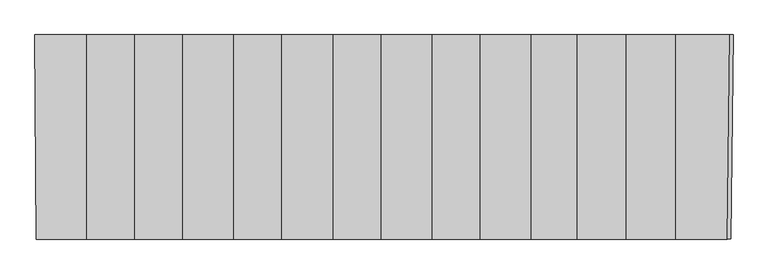
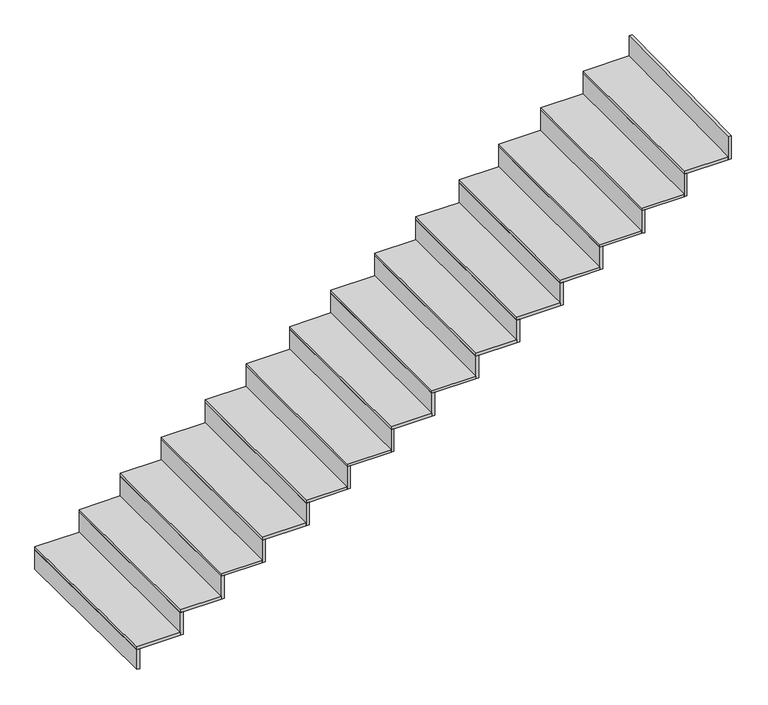
"""IFC4 building model written with IfcOpenShell, lengths in millimetres: stair flight geometry."""

from ifc_helpers import new_model, si_unit, frame, origin, place, context, project, spatial, polyline, outline, extrude, source, transform, mapped, element, save


def stair_flight_46ee71db(model_context):
    return source(origin(), model_context, "Body", "SweptSolid", [
        extrude(outline(polyline([(31766.7407159, 659.4828639), (31746.7404188, 659.4839625), (31740.2899052, 1854.8371447), (31760.2901964, 1854.8371447), (31766.7407159, 659.4828639)])), frame((0.0, 0.0, -2416.5), z_axis=(0.0, 0.0, 1.0), x_axis=(1.0, 0.0, 0.0)), (0.0, 0.0, 1.0), 143.5197413),
        extrude(outline(polyline([(32043.1422508, 1854.8371447), (32043.1422508, 659.4676813), (31746.7404188, 659.4839625), (31740.2899052, 1854.8371447), (32043.1422508, 1854.8371447)])), frame((0.0, 0.0, -2272.9802587), z_axis=(0.0, 0.0, 1.0), x_axis=(1.0, 0.0, 0.0)), (0.0, 0.0, 1.0), 20.0),
        extrude(outline(polyline([(32063.1422508, 659.4665828), (32043.1422508, 659.4676813), (32043.1422508, 1854.8371447), (32063.1422508, 1854.8371447), (32063.1422508, 659.4665828)])), frame((0.0, 0.0, -2272.9802587), z_axis=(0.0, 0.0, 1.0), x_axis=(1.0, 0.0, 0.0)), (0.0, 0.0, 1.0), 163.5197413),
        extrude(outline(polyline([(32323.1422508, 1854.8371447), (32323.1422508, 659.4523011), (32043.1422508, 659.4676813), (32043.1422508, 1854.8371447), (32323.1422508, 1854.8371447)])), frame((0.0, 0.0, -2109.4605175), z_axis=(0.0, 0.0, 1.0), x_axis=(1.0, 0.0, 0.0)), (0.0, 0.0, 1.0), 20.0),
        extrude(outline(polyline([(32343.1422508, 659.4512026), (32323.1422508, 659.4523011), (32323.1422508, 1854.8371447), (32343.1422508, 1854.8371447), (32343.1422508, 659.4512026)])), frame((0.0, 0.0, -2109.4605175), z_axis=(0.0, 0.0, 1.0), x_axis=(1.0, 0.0, 0.0)), (0.0, 0.0, 1.0), 163.5197413),
        extrude(outline(polyline([(32603.1422508, 1854.8371447), (32603.1422508, 659.4369209), (32323.1422508, 659.4523011), (32323.1422508, 1854.8371447), (32603.1422508, 1854.8371447)])), frame((0.0, 0.0, -1945.9407762), z_axis=(0.0, 0.0, 1.0), x_axis=(1.0, 0.0, 0.0)), (0.0, 0.0, 1.0), 20.0),
        extrude(outline(polyline([(32623.1422508, 659.4358224), (32603.1422508, 659.4369209), (32603.1422508, 1854.8371447), (32623.1422508, 1854.8371447), (32623.1422508, 659.4358224)])), frame((0.0, 0.0, -1945.9407762), z_axis=(0.0, 0.0, 1.0), x_axis=(1.0, 0.0, 0.0)), (0.0, 0.0, 1.0), 163.5197413),
        extrude(outline(polyline([(32903.1422508, 1854.8371447), (32903.1422508, 659.4204422), (32603.1422508, 659.4369209), (32603.1422508, 1854.8371447), (32903.1422508, 1854.8371447)])), frame((0.0, 0.0, -1782.421035), z_axis=(0.0, 0.0, 1.0), x_axis=(1.0, 0.0, 0.0)), (0.0, 0.0, 1.0), 20.0),
        extrude(outline(polyline([(32923.1422508, 659.4193436), (32903.1422508, 659.4204422), (32903.1422508, 1854.8371447), (32923.1422508, 1854.8371447), (32923.1422508, 659.4193436)])), frame((0.0, 0.0, -1782.421035), z_axis=(0.0, 0.0, 1.0), x_axis=(1.0, 0.0, 0.0)), (0.0, 0.0, 1.0), 163.5197413),
        extrude(outline(polyline([(33183.1422508, 1854.8371447), (33183.1422508, 659.405062), (32903.1422508, 659.4204422), (32903.1422508, 1854.8371447), (33183.1422508, 1854.8371447)])), frame((0.0, 0.0, -1618.9012937), z_axis=(0.0, 0.0, 1.0), x_axis=(1.0, 0.0, 0.0)), (0.0, 0.0, 1.0), 20.0),
        extrude(outline(polyline([(33203.1422508, 659.4039634), (33183.1422508, 659.405062), (33183.1422508, 1854.8371447), (33203.1422508, 1854.8371447), (33203.1422508, 659.4039634)])), frame((0.0, 0.0, -1618.9012937), z_axis=(0.0, 0.0, 1.0), x_axis=(1.0, 0.0, 0.0)), (0.0, 0.0, 1.0), 163.5197413),
        extrude(outline(polyline([(33483.1422508, 1854.8371447), (33483.1422508, 659.3885832), (33183.1422508, 659.405062), (33183.1422508, 1854.8371447), (33483.1422508, 1854.8371447)])), frame((0.0, 0.0, -1455.3815524), z_axis=(0.0, 0.0, 1.0), x_axis=(1.0, 0.0, 0.0)), (0.0, 0.0, 1.0), 20.0),
        extrude(outline(polyline([(33503.1422508, 659.3874846), (33483.1422508, 659.3885832), (33483.1422508, 1854.8371447), (33503.1422508, 1854.8371447), (33503.1422508, 659.3874846)])), frame((0.0, 0.0, -1455.3815524), z_axis=(0.0, 0.0, 1.0), x_axis=(1.0, 0.0, 0.0)), (0.0, 0.0, 1.0), 163.5197413),
        extrude(outline(polyline([(33763.1422508, 1854.8371447), (33763.1422508, 659.373203), (33483.1422508, 659.3885832), (33483.1422508, 1854.8371447), (33763.1422508, 1854.8371447)])), frame((0.0, 0.0, -1291.8618112), z_axis=(0.0, 0.0, 1.0), x_axis=(1.0, 0.0, 0.0)), (0.0, 0.0, 1.0), 20.0),
        extrude(outline(polyline([(33783.1422508, 659.3721044), (33763.1422508, 659.373203), (33763.1422508, 1854.8371447), (33783.1422508, 1854.8371447), (33783.1422508, 659.3721044)])), frame((0.0, 0.0, -1291.8618112), z_axis=(0.0, 0.0, 1.0), x_axis=(1.0, 0.0, 0.0)), (0.0, 0.0, 1.0), 163.5197413),
        extrude(outline(polyline([(34063.1422508, 1854.8371447), (34063.1422508, 659.3567242), (33763.1422508, 659.373203), (33763.1422508, 1854.8371447), (34063.1422508, 1854.8371447)])), frame((0.0, 0.0, -1128.3420699), z_axis=(0.0, 0.0, 1.0), x_axis=(1.0, 0.0, 0.0)), (0.0, 0.0, 1.0), 20.0),
        extrude(outline(polyline([(34083.1422508, 659.3556256), (34063.1422508, 659.3567242), (34063.1422508, 1854.8371447), (34083.1422508, 1854.8371447), (34083.1422508, 659.3556256)])), frame((0.0, 0.0, -1128.3420699), z_axis=(0.0, 0.0, 1.0), x_axis=(1.0, 0.0, 0.0)), (0.0, 0.0, 1.0), 163.5197413),
        extrude(outline(polyline([(34343.1422508, 1854.8371447), (34343.1422508, 659.341344), (34063.1422508, 659.3567242), (34063.1422508, 1854.8371447), (34343.1422508, 1854.8371447)])), frame((0.0, 0.0, -964.8223286), z_axis=(0.0, 0.0, 1.0), x_axis=(1.0, 0.0, 0.0)), (0.0, 0.0, 1.0), 20.0),
        extrude(outline(polyline([(34363.1422508, 659.3402454), (34343.1422508, 659.341344), (34343.1422508, 1854.8371447), (34363.1422508, 1854.8371447), (34363.1422508, 659.3402454)])), frame((0.0, 0.0, -964.8223286), z_axis=(0.0, 0.0, 1.0), x_axis=(1.0, 0.0, 0.0)), (0.0, 0.0, 1.0), 163.5197413),
        extrude(outline(polyline([(34640.2284005, 1854.8371447), (34640.2284005, 659.3250253), (34343.1422508, 659.341344), (34343.1422508, 1854.8371447), (34640.2284005, 1854.8371447)])), frame((0.0, 0.0, -801.3025874), z_axis=(0.0, 0.0, 1.0), x_axis=(1.0, 0.0, 0.0)), (0.0, 0.0, 1.0), 20.0),
        extrude(outline(polyline([(34660.2284005, 659.3239267), (34640.2284005, 659.3250253), (34640.2284005, 1854.8371447), (34660.2284005, 1854.8371447), (34660.2284005, 659.3239267)])), frame((0.0, 0.0, -801.3025874), z_axis=(0.0, 0.0, 1.0), x_axis=(1.0, 0.0, 0.0)), (0.0, 0.0, 1.0), 163.5197413),
        extrude(outline(polyline([(34910.3131472, 1854.8371447), (34910.3131472, 659.3101897), (34640.2284005, 659.3250253), (34640.2284005, 1854.8371447), (34910.3131472, 1854.8371447)])), frame((0.0, 0.0, -637.7828461), z_axis=(0.0, 0.0, 1.0), x_axis=(1.0, 0.0, 0.0)), (0.0, 0.0, 1.0), 20.0),
        extrude(outline(polyline([(34930.3131472, 659.3090911), (34910.3131472, 659.3101897), (34910.3131472, 1854.8371447), (34930.3131472, 1854.8371447), (34930.3131472, 659.3090911)])), frame((0.0, 0.0, -637.7828461), z_axis=(0.0, 0.0, 1.0), x_axis=(1.0, 0.0, 0.0)), (0.0, 0.0, 1.0), 163.5197413),
        extrude(outline(polyline([(35195.3131472, 1854.8371447), (35195.3131472, 659.2945349), (34910.3131472, 659.3101897), (34910.3131472, 1854.8371447), (35195.3131472, 1854.8371447)])), frame((0.0, 0.0, -474.2631049), z_axis=(0.0, 0.0, 1.0), x_axis=(1.0, 0.0, 0.0)), (0.0, 0.0, 1.0), 20.0),
        extrude(outline(polyline([(35215.3131472, 659.2934363), (35195.3131472, 659.2945349), (35195.3131472, 1854.8371447), (35215.3131472, 1854.8371447), (35215.3131472, 659.2934363)])), frame((0.0, 0.0, -474.2631049), z_axis=(0.0, 0.0, 1.0), x_axis=(1.0, 0.0, 0.0)), (0.0, 0.0, 1.0), 163.5197413),
        extrude(outline(polyline([(35485.3131472, 1854.8371447), (35485.3131472, 659.2786054), (35195.3131472, 659.2945349), (35195.3131472, 1854.8371447), (35485.3131472, 1854.8371447)])), frame((0.0, 0.0, -310.7433636), z_axis=(0.0, 0.0, 1.0), x_axis=(1.0, 0.0, 0.0)), (0.0, 0.0, 1.0), 20.0),
        extrude(outline(polyline([(35505.3131472, 659.2775068), (35485.3131472, 659.2786054), (35485.3131472, 1854.8371447), (35505.3131472, 1854.8371447), (35505.3131472, 659.2775068)])), frame((0.0, 0.0, -310.7433636), z_axis=(0.0, 0.0, 1.0), x_axis=(1.0, 0.0, 0.0)), (0.0, 0.0, 1.0), 163.5197413),
        extrude(outline(polyline([(35806.7853616, 659.2609472), (35786.7840979, 659.2620458), (35800.2899052, 1854.8371447), (35820.2911813, 1854.8371447), (35806.7853616, 659.2609472)])), frame((0.0, 0.0, -147.2236223), z_axis=(0.0, 0.0, 1.0), x_axis=(1.0, 0.0, 0.0)), (0.0, 0.0, 1.0), 163.5197413),
        extrude(outline(polyline([(35800.2899052, 1854.8371447), (35786.7840979, 659.2620458), (35485.3131472, 659.2786054), (35485.3131472, 1854.8371447), (35800.2899052, 1854.8371447)])), frame((0.0, 0.0, -147.2236223), z_axis=(0.0, 0.0, 1.0), x_axis=(1.0, 0.0, 0.0)), (0.0, 0.0, 1.0), 20.0),
    ])


if __name__ == "__main__":
    model = new_model("IFC4")
    model_context = context("Model", 3, world=origin())
    ifc_project = project(units=[si_unit("LENGTHUNIT", "METRE", prefix="MILLI")], contexts=[model_context])
    site = spatial("IfcSite", under=ifc_project)
    building = spatial("IfcBuilding", under=site)
    placement = place(None, origin())
    stair_flight_shape = stair_flight_46ee71db(model_context)
    element("IfcStairFlight", 1, at=placement, inside=building, context=model_context, shape_type="MappedRepresentation", body=[
        mapped(stair_flight_shape, transform((0.0, 0.0, 0.0), x_axis=(1.0, 0.0, 0.0), y_axis=(0.0, 1.0, 0.0), z_axis=(0.0, 0.0, 1.0))),
    ])
    save(model, "model.ifc")
